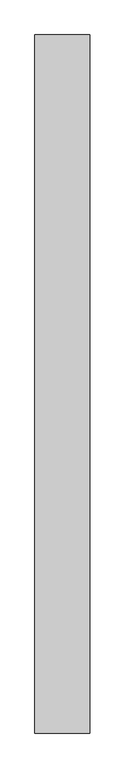
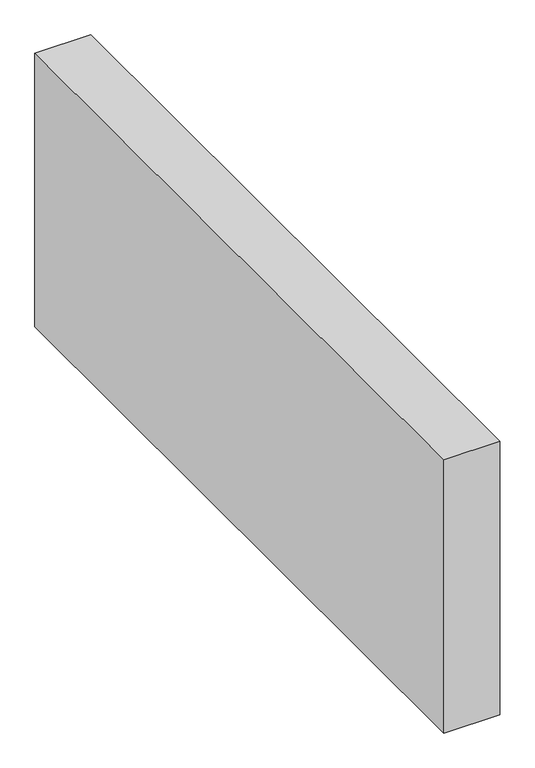
"""IFC4 building model written with IfcOpenShell, lengths in millimetres: proxy geometry."""

from ifc_helpers import new_model, si_unit, origin, origin_with_axes, place, context, project, spatial, polyline, outline, extrude, source, transform, mapped, element, save


def generic_models_527a289f(model_context):
    return source(origin(), model_context, "Body", "SweptSolid", [
        extrude(outline(polyline([(150.0, 1904.04089), (150.0, 0.0), (0.0, 0.0), (0.0, 1904.04089), (150.0, 1904.04089)])), origin_with_axes(), (0.0, 0.0, 1.0), 776.6553396),
    ])


if __name__ == "__main__":
    model = new_model("IFC4")
    model_context = context("Model", 3, world=origin())
    ifc_project = project(units=[si_unit("LENGTHUNIT", "METRE", prefix="MILLI")], contexts=[model_context])
    site = spatial("IfcSite", under=ifc_project)
    building = spatial("IfcBuilding", under=site)
    placement = place(None, origin())
    generic_models_shape = generic_models_527a289f(model_context)
    element("IfcBuildingElementProxy", 1, Name="Generic Models", at=placement, inside=building, context=model_context, shape_type="MappedRepresentation", body=[
        mapped(generic_models_shape, transform((0.0, 0.0, 0.0), x_axis=(1.0, 0.0, 0.0), y_axis=(0.0, 1.0, 0.0), z_axis=(0.0, 0.0, 1.0))),
    ])
    save(model, "model.ifc")
